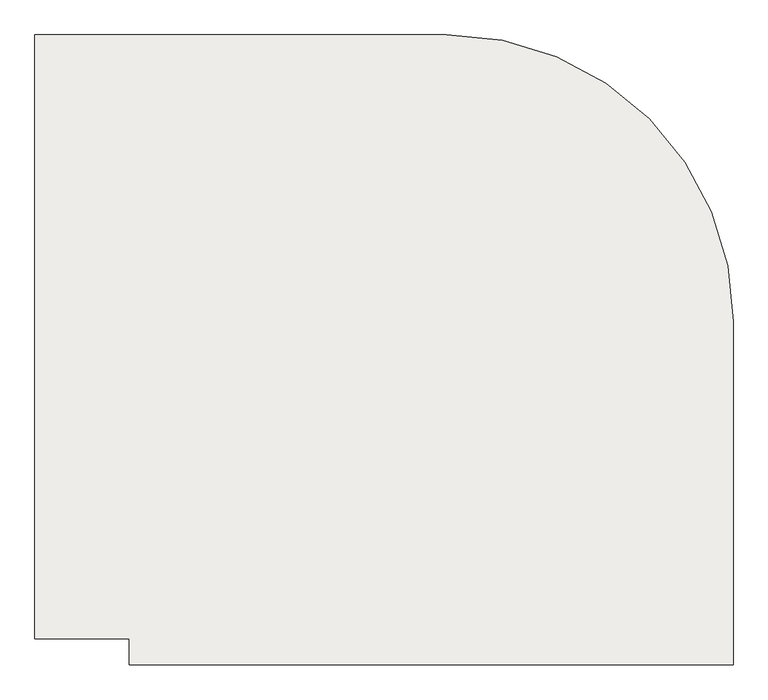
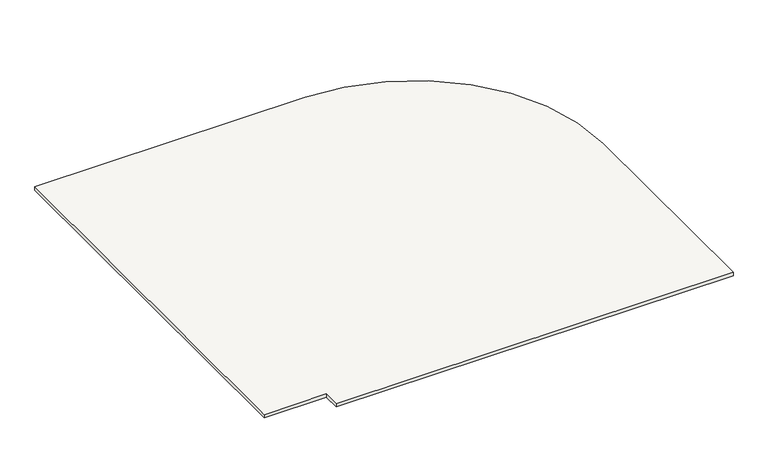
"""IFC4 building model written with IfcOpenShell, lengths in millimetres: slab geometry."""

from ifc_helpers import new_model, si_unit, point, frame, frame_2d, origin, place, context, project, spatial, polyline, circle_curve, trimmed, segment, composite_curve, outline, extrude, source, transform, mapped, element, save


def slab_c03089a1(model_context):
    return source(origin(), model_context, "Body", "SweptSolid", [
        extrude(outline(composite_curve([segment(polyline([(140483.87072, 85605.6888948), (140483.87072, 85709.8253141), (140107.7671954, 85709.8253141), (140107.7671954, 88109.8253141), (141743.87072, 88109.8253141)]), True, "CONTINUOUS"), segment(trimmed(circle_curve(frame_2d((141743.87072, 86969.8253141)), 1140.0), [point((141743.87072, 88109.8253141))], [point((142883.87072, 86969.8253141))], False, "CARTESIAN"), True, "CONTINUOUS"), segment(polyline([(142883.87072, 86969.8253141), (142883.87072, 85605.6888948), (140483.87072, 85605.6888948)]), True, "CONTINUOUS")], self_intersect=False)), frame((0.0, 0.0, 8745.215657), z_axis=(0.0, 0.0, 1.0), x_axis=(1.0, 0.0, 0.0)), (0.0, 0.0, 1.0), 20.0),
    ])


if __name__ == "__main__":
    model = new_model("IFC4")
    model_context = context("Model", 3, world=origin())
    ifc_project = project(units=[si_unit("LENGTHUNIT", "METRE", prefix="MILLI")], contexts=[model_context])
    site = spatial("IfcSite", under=ifc_project)
    building = spatial("IfcBuilding", under=site)
    placement = place(None, origin())
    slab_shape = slab_c03089a1(model_context)
    element("IfcSlab", 1, at=placement, inside=building, context=model_context, shape_type="MappedRepresentation", body=[
        mapped(slab_shape, transform((0.0, 0.0, 0.0), x_axis=(1.0, 0.0, 0.0), y_axis=(0.0, 1.0, 0.0), z_axis=(0.0, 0.0, 1.0))),
    ])
    save(model, "model.ifc")
